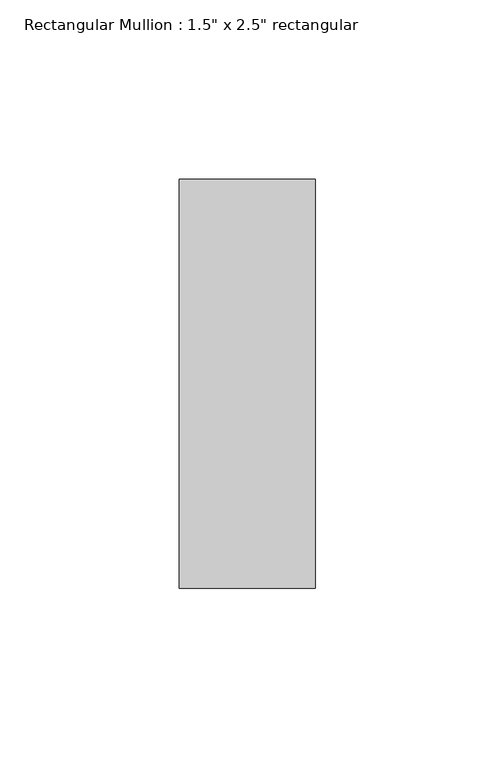
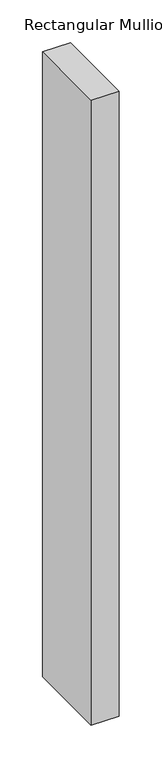
"""IFC4 building model written with IfcOpenShell, lengths in millimetres: member geometry."""

from ifc_helpers import new_model, si_unit, frame, origin, place, context, project, spatial, polyline, outline, extrude, source, transform, mapped, element, save


def member_e136701b(model_context):
    return source(origin(), model_context, "Body", "SweptSolid", [
        extrude(outline(polyline([(19.05, 57.15), (19.05, -57.15), (-19.05, -57.15), (-19.05, 57.15), (19.05, 57.15)])), frame((0.0, 0.0, -895.35), z_axis=(0.0, 0.0, 1.0), x_axis=(1.0, 0.0, 0.0)), (0.0, 0.0, 1.0), 895.35),
    ])


if __name__ == "__main__":
    model = new_model("IFC4")
    model_context = context("Model", 3, world=origin())
    ifc_project = project(units=[si_unit("LENGTHUNIT", "METRE", prefix="MILLI")], contexts=[model_context])
    site = spatial("IfcSite", under=ifc_project)
    building = spatial("IfcBuilding", under=site)
    placement = place(None, origin())
    member_shape = member_e136701b(model_context)
    element("IfcMember", 1, ObjectType="Rectangular Mullion : 1.5\" x 2.5\" rectangular", at=placement, inside=building, context=model_context, shape_type="MappedRepresentation", body=[
        mapped(member_shape, transform((0.0, 0.0, 0.0), x_axis=(1.0, 0.0, 0.0), y_axis=(0.0, 1.0, 0.0), z_axis=(0.0, 0.0, 1.0))),
    ])
    save(model, "model.ifc")
